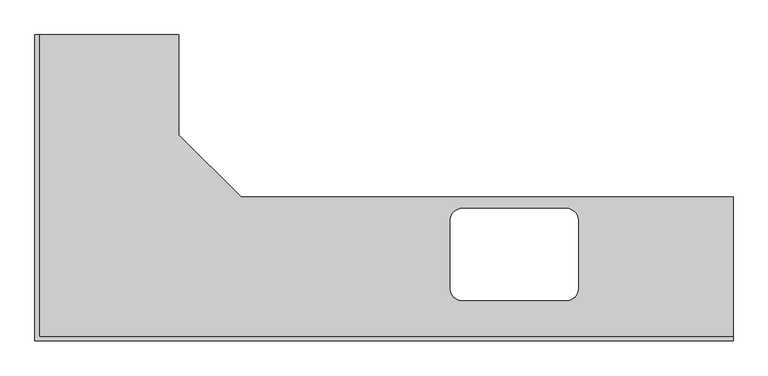
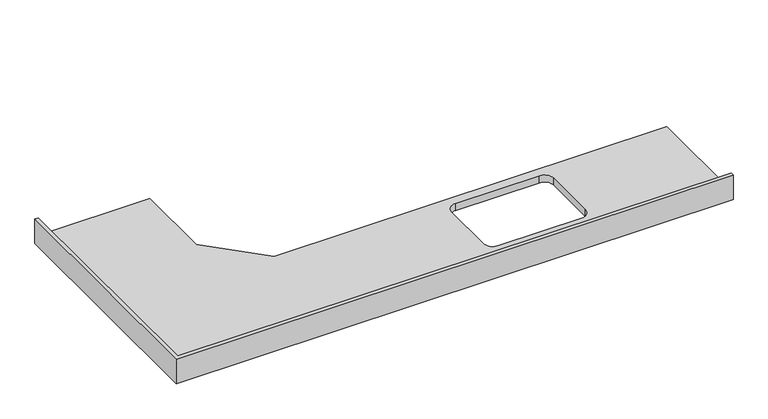
"""IFC4 building model written with IfcOpenShell, lengths in millimetres: furniture geometry."""

from ifc_helpers import new_model, si_unit, frame, origin, place, context, project, spatial, polyline, circle_curve, source, transform, mapped, element, save
from ifc_brep_helpers import plane_surface, revolved_surface, advanced_brep


def furniture_77ff2f6f(model_context):
    return source(origin(), model_context, "Body", "AdvancedBrep", [
        advanced_brep(
        [(-575.4622951, 1330.0, 900.0), (-1181.4122951, 1330.0, 900.0), (-1181.4122951, 19.05, 900.0), (1828.5377049, 19.05, 900.0), (1828.5377049, 625.0, 900.0), (-305.4622951, 625.0, 900.0), (-575.4622951, 895.0, 900.0), (1105.7733802, 175.927678, 900.0), (652.4494562, 175.927678, 900.0), (602.4494562, 225.927678, 900.0), (602.4494562, 526.0392085, 900.0), (652.4494562, 576.0392085, 900.0), (1105.7733802, 576.0392085, 900.0), (1155.7733802, 526.0392085, 900.0), (1155.7733802, 225.927678, 900.0), (1828.5377049, 0.0, 860.0), (-1200.4622951, 0.0, 860.0), (-1200.4622951, 1330.0, 860.0), (-575.4622951, 1330.0, 860.0), (-575.4622951, 895.0, 860.0), (-305.4622951, 625.0, 860.0), (1828.5377049, 625.0, 860.0), (1105.7733802, 175.927678, 860.0), (1155.7733802, 225.927678, 860.0), (1155.7733802, 526.0392085, 860.0), (1105.7733802, 576.0392085, 860.0), (652.4494562, 576.0392085, 860.0), (602.4494562, 526.0392085, 860.0), (602.4494562, 225.927678, 860.0), (652.4494562, 175.927678, 860.0), (1828.5377049, 0.0, 1001.6), (-1200.4622951, 0.0, 1001.6), (-1200.4622951, 1330.0, 1001.6), (-1181.4122951, 1330.0, 1001.6), (1828.5377049, 19.05, 1001.6), (-1181.4122951, 19.05, 1001.6)],
        [
            (0, 1),
            (1, 2),
            (2, 3),
            (3, 4),
            (4, 5),
            (5, 6),
            (6, 0),
            (7, 8),
            (8, 9, circle_curve(frame((652.4494562, 225.927678, 900.0), z_axis=(0.0, 0.0, -1.0), x_axis=(1.0, 0.0, 0.0)), 50.0)),
            (9, 10),
            (10, 11, circle_curve(frame((652.4494562, 526.0392085, 900.0), z_axis=(0.0, 0.0, -1.0), x_axis=(1.0, 0.0, 0.0)), 50.0)),
            (11, 12),
            (12, 13, circle_curve(frame((1105.7733802, 526.0392085, 900.0), z_axis=(0.0, 0.0, -1.0), x_axis=(1.0, 0.0, 0.0)), 50.0)),
            (13, 14),
            (14, 7, circle_curve(frame((1105.7733802, 225.927678, 900.0), z_axis=(0.0, 0.0, -1.0), x_axis=(1.0, 0.0, 0.0)), 50.0)),
            (15, 16),
            (16, 17),
            (17, 18),
            (18, 19),
            (19, 20),
            (20, 21),
            (21, 15),
            (22, 23, circle_curve(frame((1105.7733802, 225.927678, 860.0), z_axis=(0.0, 0.0, 1.0), x_axis=(1.0, 0.0, 0.0)), 50.0)),
            (23, 24),
            (24, 25, circle_curve(frame((1105.7733802, 526.0392085, 860.0), z_axis=(0.0, 0.0, 1.0), x_axis=(1.0, 0.0, 0.0)), 50.0)),
            (25, 26),
            (26, 27, circle_curve(frame((652.4494562, 526.0392085, 860.0), z_axis=(0.0, 0.0, 1.0), x_axis=(1.0, 0.0, 0.0)), 50.0)),
            (27, 28),
            (28, 29, circle_curve(frame((652.4494562, 225.927678, 860.0), z_axis=(0.0, 0.0, 1.0), x_axis=(1.0, 0.0, 0.0)), 50.0)),
            (29, 22),
            (15, 30),
            (30, 31),
            (31, 16),
            (31, 32),
            (32, 17),
            (32, 33),
            (33, 1),
            (0, 18),
            (6, 19),
            (5, 20),
            (4, 21),
            (3, 34),
            (34, 30),
            (14, 23),
            (22, 7),
            (13, 24),
            (12, 25),
            (11, 26),
            (10, 27),
            (9, 28),
            (8, 29),
            (34, 35),
            (35, 33),
            (2, 35),
        ],
        [
            plane_surface(frame((-1200.4622951, 0.0, 900.0), z_axis=(0.0, 0.0, 1.0), x_axis=(-1.0, 0.0, 0.0))),
            plane_surface(frame((-1200.4622951, 0.0, 860.0), z_axis=(0.0, 0.0, -1.0), x_axis=(1.0, 0.0, 0.0))),
            plane_surface(frame((1828.5377049, 0.0, 900.0), z_axis=(0.0, -1.0, 0.0), x_axis=(0.0, 0.0, -1.0))),
            plane_surface(frame((-1200.4622951, 0.0, 900.0), z_axis=(-1.0, 0.0, 0.0), x_axis=(0.0, 0.0, -1.0))),
            plane_surface(frame((-1200.4622951, 1330.0, 900.0), z_axis=(0.0, 1.0, 0.0), x_axis=(0.0, 0.0, -1.0))),
            plane_surface(frame((-575.4622951, 1330.0, 900.0), z_axis=(1.0, 0.0, 0.0), x_axis=(0.0, 0.0, -1.0))),
            plane_surface(frame((-575.4622951, 895.0, 900.0), z_axis=(0.7071067811864946, 0.7071067811866004, 0.0), x_axis=(0.0, 0.0, -1.0))),
            plane_surface(frame((-305.4622951, 625.0, 900.0), z_axis=(0.0, 1.0, 0.0), x_axis=(0.0, 0.0, -1.0))),
            plane_surface(frame((1828.5377049, 625.0, 900.0), z_axis=(1.0, 0.0, 0.0), x_axis=(0.0, 0.0, -1.0))),
            revolved_surface(polyline([(1155.7733802, 225.927678, 860.0), (1155.7733802, 225.927678, 900.0)]), (1105.7733802, 225.927678, 0.0), (0.0, 0.0, -1.0)),
            plane_surface(frame((1155.7733802, 225.927678, 900.0), z_axis=(-1.0, 0.0, 0.0), x_axis=(0.0, 0.0, -1.0))),
            revolved_surface(polyline([(1155.7733802, 526.0392085, 860.0), (1155.7733802, 526.0392085, 900.0)]), (1105.7733802, 526.0392085, 0.0), (0.0, 0.0, -1.0)),
            plane_surface(frame((1105.7733802, 576.0392085, 900.0), z_axis=(0.0, -1.0, 0.0), x_axis=(0.0, 0.0, -1.0))),
            revolved_surface(polyline([(702.4494562, 526.0392085, 860.0), (702.4494562, 526.0392085, 900.0)]), (652.4494562, 526.0392085, 0.0), (0.0, 0.0, -1.0)),
            plane_surface(frame((602.4494562, 526.0392085, 900.0), z_axis=(1.0, 0.0, 0.0), x_axis=(0.0, 0.0, -1.0))),
            revolved_surface(polyline([(702.4494562, 225.927678, 860.0), (702.4494562, 225.927678, 900.0)]), (652.4494562, 225.927678, 0.0), (0.0, 0.0, -1.0)),
            plane_surface(frame((652.4494562, 175.927678, 900.0), z_axis=(0.0, 1.0, 0.0), x_axis=(0.0, 0.0, -1.0))),
            plane_surface(frame((-1200.4622951, 0.0, 1001.6), z_axis=(0.0, 0.0, 1.0), x_axis=(0.0, 1.0, 0.0))),
            plane_surface(frame((-1200.4622951, 19.05, 1001.6), z_axis=(0.0, 1.0, 0.0), x_axis=(0.0, 0.0, -1.0))),
            plane_surface(frame((-1181.4122951, 1330.0, 1001.6), z_axis=(1.0, 0.0, 0.0), x_axis=(0.0, 0.0, -1.0))),
        ],
        [
            (0, [[1, 2, 3, 4, 5, 6, 7], [8, 9, 10, 11, 12, 13, 14, 15]]),
            (1, [[16, 17, 18, 19, 20, 21, 22], [23, 24, 25, 26, 27, 28, 29, 30]]),
            (2, [[31, 32, 33, -16]]),
            (3, [[-33, 34, 35, -17]]),
            (4, [[36, 37, -1, 38, -18, -35]]),
            (5, [[39, -19, -38, -7]]),
            (6, [[40, -20, -39, -6]]),
            (7, [[41, -21, -40, -5]]),
            (8, [[-41, -4, 42, 43, -31, -22]]),
            (9, [[44, -23, 45, -15]]),
            (10, [[46, -24, -44, -14]]),
            (11, [[47, -25, -46, -13]]),
            (12, [[48, -26, -47, -12]]),
            (13, [[49, -27, -48, -11]]),
            (14, [[50, -28, -49, -10]]),
            (15, [[51, -29, -50, -9]]),
            (16, [[-45, -30, -51, -8]]),
            (17, [[-32, -43, 52, 53, -36, -34]]),
            (18, [[-3, 54, -52, -42]]),
            (19, [[-54, -2, -37, -53]]),
        ],
    ),
    ])


if __name__ == "__main__":
    model = new_model("IFC4")
    model_context = context("Model", 3, world=origin())
    ifc_project = project(units=[si_unit("LENGTHUNIT", "METRE", prefix="MILLI")], contexts=[model_context])
    site = spatial("IfcSite", under=ifc_project)
    building = spatial("IfcBuilding", under=site)
    placement = place(None, origin())
    furniture_shape = furniture_77ff2f6f(model_context)
    element("IfcFurniture", 1, at=placement, inside=building, context=model_context, shape_type="MappedRepresentation", body=[
        mapped(furniture_shape, transform((0.0, 0.0, 0.0), x_axis=(1.0, 0.0, 0.0), y_axis=(0.0, 1.0, 0.0), z_axis=(0.0, 0.0, 1.0))),
    ])
    save(model, "model.ifc")
